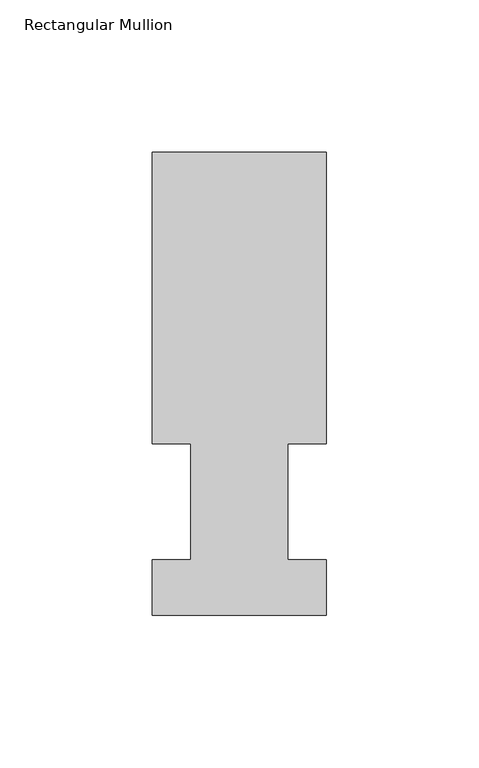
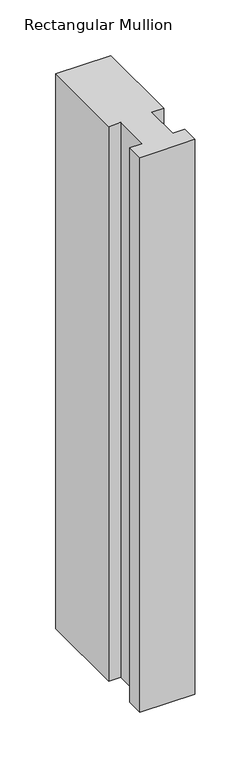
"""IFC4 building model written with IfcOpenShell, lengths in millimetres: member geometry, Rectangular Mullion."""

from ifc_helpers import new_model, si_unit, frame, origin, place, context, project, spatial, polyline, outline, extrude, source, transform, mapped, element, save


def rectangular_mullion_e81baecf(model_context):
    return source(origin(), model_context, "Body", "SweptSolid", [
        extrude(outline(polyline([(0.0, 151.98725), (0.0, 56.35625), (-12.7, 56.35625), (-12.7, 18.25625), (0.0, 18.25625), (0.0, -0.03175), (-57.15, -0.03175), (-57.15, 18.25625), (-44.45, 18.25625), (-44.45, 56.35625), (-57.15, 56.35625), (-57.15, 151.98725), (0.0, 151.98725)])), frame((0.0, 0.0, -609.6), z_axis=(0.0, 0.0, 1.0), x_axis=(1.0, 0.0, 0.0)), (0.0, 0.0, 1.0), 609.6),
    ])


if __name__ == "__main__":
    model = new_model("IFC4")
    model_context = context("Model", 3, world=origin())
    ifc_project = project(units=[si_unit("LENGTHUNIT", "METRE", prefix="MILLI")], contexts=[model_context])
    site = spatial("IfcSite", under=ifc_project)
    building = spatial("IfcBuilding", under=site)
    placement = place(None, origin())
    rectangular_mullion_shape = rectangular_mullion_e81baecf(model_context)
    element("IfcMember", 1, ObjectType="Rectangular Mullion", at=placement, inside=building, context=model_context, shape_type="MappedRepresentation", body=[
        mapped(rectangular_mullion_shape, transform((0.0, 0.0, 0.0), x_axis=(1.0, 0.0, 0.0), y_axis=(0.0, 1.0, 0.0), z_axis=(0.0, 0.0, 1.0))),
    ])
    save(model, "model.ifc")
